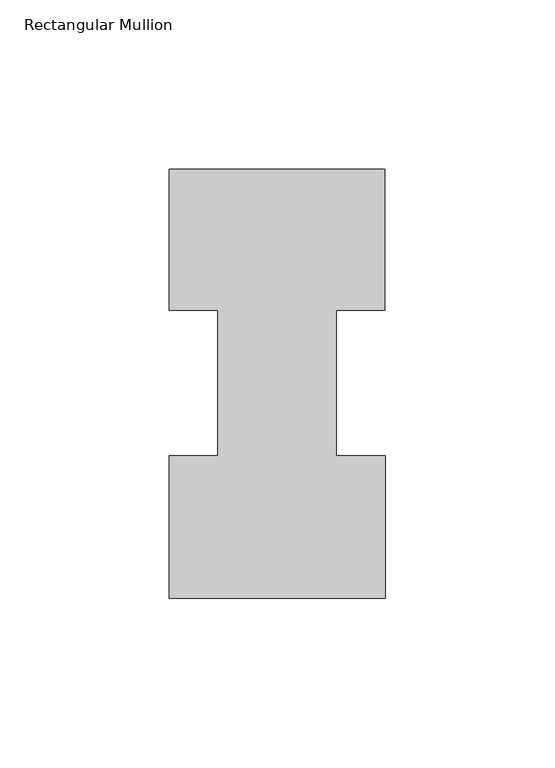
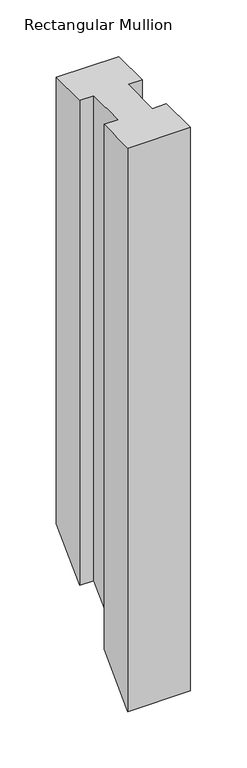
"""IFC4 building model written with IfcOpenShell, lengths in millimetres: member geometry, Rectangular Mullion."""

from ifc_helpers import new_model, si_unit, origin, place, context, project, spatial, faceted_brep, source, transform, mapped, element, save


def rectangular_mullion_0756a653(model_context):
    return source(origin(), model_context, "Body", "Brep", [
        faceted_brep([(-49.21504, 85.1296875, 0.0), (-49.21504, 42.2799164, 0.0), (-63.5, 42.2799164, 0.0), (-63.5, 0.2429164, 0.0), (0.2408142, 0.2429164, 0.0), (0.2408142, 42.2799164, 0.0), (-14.2748, 42.2799164, 0.0), (-14.2748, 85.1296875, 0.0), (0.0, 85.1296875, 0.0), (0.0, 126.7349164, 0.0), (-63.5, 126.7349164, 0.0), (-63.5, 85.1296875, 0.0), (-49.21504, 85.1296875, -524.4703125), (-49.21504, 42.2799164, -567.3200836), (-63.5, 42.2799164, -567.3200836), (-63.5, 0.2429164, -609.3570836), (0.2408142, 0.2429164, -609.3570836), (0.2408142, 42.2799164, -567.3200836), (-14.2748, 42.2799164, -567.3200836), (-14.2748, 85.1296875, -524.4703125), (0.0, 85.1296875, -524.4703125), (0.0, 126.7349164, -482.8650836), (-63.5, 126.7349164, -482.8650836), (-63.5, 85.1296875, -524.4703125)], [[[0, 1, 2, 3, 4, 5, 6, 7, 8, 9, 10, 11]], [[1, 0, 12, 13]], [[2, 1, 13, 14]], [[3, 2, 14, 15]], [[4, 3, 15, 16]], [[5, 4, 16, 17]], [[6, 5, 17, 18]], [[7, 6, 18, 19]], [[8, 7, 19, 20]], [[9, 8, 20, 21]], [[10, 9, 21, 22]], [[11, 10, 22, 23]], [[0, 11, 23, 12]], [[12, 23, 22, 21, 20, 19, 18, 17, 16, 15, 14, 13]]]),
    ])


if __name__ == "__main__":
    model = new_model("IFC4")
    model_context = context("Model", 3, world=origin())
    ifc_project = project(units=[si_unit("LENGTHUNIT", "METRE", prefix="MILLI")], contexts=[model_context])
    site = spatial("IfcSite", under=ifc_project)
    building = spatial("IfcBuilding", under=site)
    placement = place(None, origin())
    rectangular_mullion_shape = rectangular_mullion_0756a653(model_context)
    element("IfcMember", 1, ObjectType="Rectangular Mullion", at=placement, inside=building, context=model_context, shape_type="MappedRepresentation", body=[
        mapped(rectangular_mullion_shape, transform((0.0, 0.0, 0.0), x_axis=(1.0, 0.0, 0.0), y_axis=(0.0, 1.0, 0.0), z_axis=(0.0, 0.0, 1.0))),
    ])
    save(model, "model.ifc")
